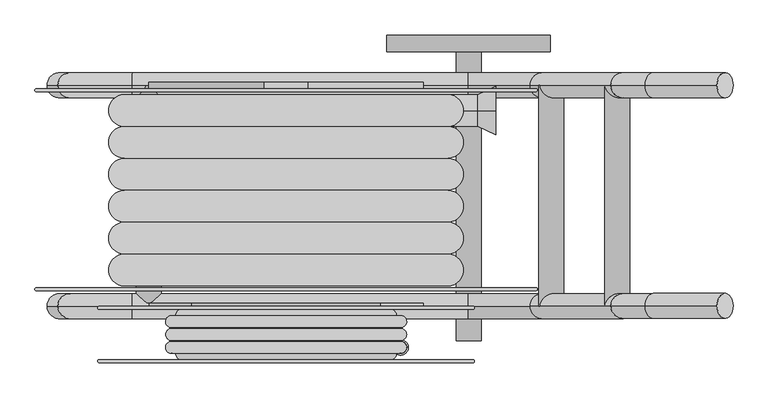
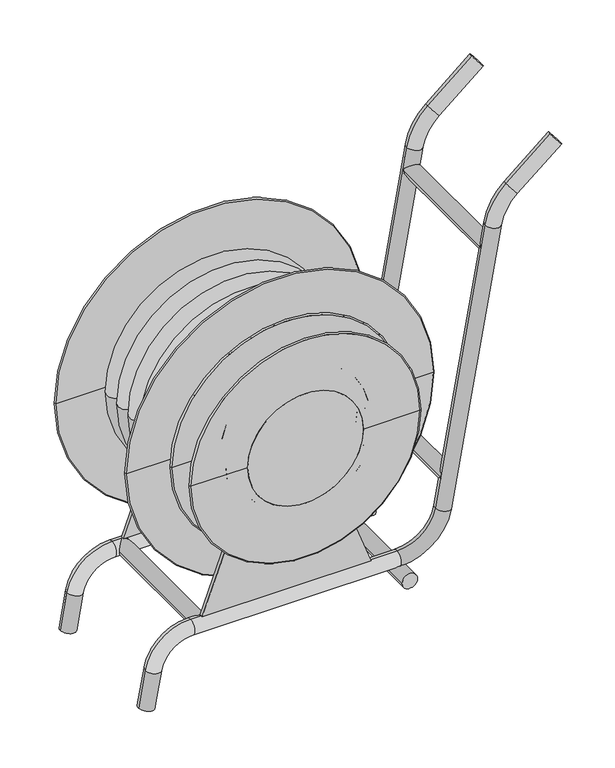
"""IFC4 building model written with IfcOpenShell, lengths in millimetres: fire suppression terminal geometry."""

from ifc_helpers import new_model, si_unit, point, frame, frame_2d, origin, place, context, project, spatial, polyline, circle_curve, ellipse_curve, trimmed, segment, composite_curve, outline, extrude, source, transform, mapped, element, save
from ifc_brep_helpers import plane_surface, cylinder_surface, revolved_surface, advanced_brep


def fire_suppression_terminal_208073d3(model_context):
    return source(origin(), model_context, "Body", "SolidModel", [
        advanced_brep(
        [(194.7354819, -205.6, 436.3970652), (170.1354819, -205.6, 436.3970652), (170.1354819, -205.6, 381.3970652), (194.7354819, -205.6, 381.3970652), (182.4354819, -205.6, 381.3970652), (182.4354819, -205.6, 436.3970652)],
        [
            (0, 1, circle_curve(frame((182.4354819, -205.6, 436.3970652), z_axis=(0.0, 0.0, -1.0), x_axis=(-1.0, 0.0, 0.0)), 12.3)),
            (1, 2),
            (2, 3, circle_curve(frame((182.4354819, -205.6, 381.3970652), z_axis=(0.0, 0.0, 1.0), x_axis=(-1.0, 0.0, 0.0)), 12.3)),
            (3, 0),
            (1, 0, circle_curve(frame((182.4354819, -205.6, 436.3970652), z_axis=(0.0, 0.0, -1.0), x_axis=(-1.0, 0.0, 0.0)), 12.3)),
            (3, 2, circle_curve(frame((182.4354819, -205.6, 381.3970652), z_axis=(0.0, 0.0, 1.0), x_axis=(-1.0, 0.0, 0.0)), 12.3)),
            (2, 4),
            (4, 3),
            (5, 1),
            (0, 5),
        ],
        [
            cylinder_surface(frame((182.4354819, -205.6, 436.3970652), z_axis=(0.0, 0.0, 1.0), x_axis=(-1.0, 0.0, 0.0)), 12.3),
            plane_surface(frame((182.4354819, -205.6, 381.3970652), z_axis=(0.0, 0.0, -1.0), x_axis=(-1.0, 0.0, 0.0))),
            plane_surface(frame((182.4354819, -205.6, 436.3970652), z_axis=(0.0, 0.0, 1.0), x_axis=(-1.0, 0.0, 0.0))),
        ],
        [
            (0, [[1, 2, 3, 4]]),
            (0, [[5, -4, 6, -2]]),
            (1, [[-3, 7, 8]]),
            (1, [[-6, -8, -7]]),
            (2, [[9, -1, 10]]),
            (2, [[-10, -5, -9]]),
        ],
    ),
        extrude(outline(composite_curve([segment(trimmed(circle_curve(frame_2d((182.4354819, -205.6)), 9.5), [point((191.9354819, -205.6))], [point((172.9354819, -205.6))], False, "CARTESIAN"), True, "CONTINUOUS"), segment(trimmed(circle_curve(frame_2d((182.4354819, -205.6)), 9.5), [point((172.9354819, -205.6))], [point((191.9354819, -205.6))], False, "CARTESIAN"), True, "CONTINUOUS")], self_intersect=False)), frame((0.0, 0.0, 436.3970652), z_axis=(0.0, 0.0, 1.0), x_axis=(1.0, 0.0, 0.0)), (0.0, 0.0, 1.0), 200.0),
        advanced_brep(
        [(166.244333, -145.05, 636.3970652), (-166.244333, -145.05, 636.3970652), (-166.244333, -225.0, 636.3970652), (166.244333, -225.0, 636.3970652), (173.9955864, -160.0425467, 636.3970652), (-173.9955864, -160.0425467, 636.3970652), (182.4243529, -173.925, 636.3970652), (-182.4243529, -173.925, 636.3970652), (182.4243529, -194.525, 636.3970652), (-182.4243529, -194.525, 636.3970652), (-182.4243529, -175.525, 636.3970652), (182.4243529, -175.525, 636.3970652), (174.6730994, -211.1175467, 636.3970652), (-174.6730994, -211.1175467, 636.3970652), (-182.4243529, -196.125, 636.3970652), (182.4243529, -196.125, 636.3970652)],
        [
            (0, 1, circle_curve(frame((0.0, -145.05, 636.3970652), z_axis=(0.0, 1.0, 0.0), x_axis=(-1.0, 0.0, 0.0)), 166.244333)),
            (1, 2),
            (2, 3, circle_curve(frame((0.0, -225.0, 636.3970652), z_axis=(0.0, -1.0, 0.0), x_axis=(-1.0, 0.0, 0.0)), 166.244333)),
            (3, 0),
            (1, 0, circle_curve(frame((0.0, -145.05, 636.3970652), z_axis=(0.0, 1.0, 0.0), x_axis=(-1.0, 0.0, 0.0)), 166.244333)),
            (3, 2, circle_curve(frame((0.0, -225.0, 636.3970652), z_axis=(0.0, -1.0, 0.0), x_axis=(-1.0, 0.0, 0.0)), 166.244333)),
            (4, 5, circle_curve(frame((0.0, -160.0425467, 636.3970652), z_axis=(0.0, 1.0, 0.0), x_axis=(-1.0, 0.0, 0.0)), 173.9955864)),
            (5, 1, circle_curve(frame((-166.244333, -154.55, 636.3970652), z_axis=(0.0, 0.0, -1.0), x_axis=(-1.0, 0.0, 0.0)), 9.5)),
            (0, 4, circle_curve(frame((166.244333, -154.55, 636.3970652), z_axis=(0.0, 0.0, -1.0), x_axis=(1.0, 0.0, 0.0)), 9.5)),
            (5, 4, circle_curve(frame((0.0, -160.0425467, 636.3970652), z_axis=(0.0, 1.0, 0.0), x_axis=(-1.0, 0.0, 0.0)), 173.9955864)),
            (6, 7, circle_curve(frame((0.0, -173.925, 636.3970652), z_axis=(0.0, 1.0, 0.0), x_axis=(-1.0, 0.0, 0.0)), 182.4243529)),
            (7, 5, circle_curve(frame((-182.4243529, -164.425, 636.3970652), z_axis=(0.0, 0.0, -1.0), x_axis=(-1.0, 0.0, 0.0)), 9.5)),
            (4, 6, circle_curve(frame((182.4243529, -164.425, 636.3970652), z_axis=(0.0, 0.0, -1.0), x_axis=(1.0, 0.0, 0.0)), 9.5)),
            (7, 6, circle_curve(frame((0.0, -173.925, 636.3970652), z_axis=(0.0, 1.0, 0.0), x_axis=(-1.0, 0.0, 0.0)), 182.4243529)),
            (8, 9, circle_curve(frame((0.0, -194.525, 636.3970652), z_axis=(0.0, 1.0, 0.0), x_axis=(-1.0, 0.0, 0.0)), 182.4243529)),
            (9, 10, circle_curve(frame((-182.4243529, -185.025, 636.3970652), z_axis=(0.0, 0.0, -1.0), x_axis=(-1.0, 0.0, 0.0)), 9.5)),
            (10, 11, circle_curve(frame((0.0, -175.525, 636.3970652), z_axis=(0.0, -1.0, 0.0), x_axis=(-1.0, 0.0, 0.0)), 182.4243529)),
            (11, 8, circle_curve(frame((182.4243529, -185.025, 636.3970652), z_axis=(0.0, 0.0, -1.0), x_axis=(1.0, 0.0, 0.0)), 9.5)),
            (9, 8, circle_curve(frame((0.0, -194.525, 636.3970652), z_axis=(0.0, 1.0, 0.0), x_axis=(-1.0, 0.0, 0.0)), 182.4243529)),
            (11, 10, circle_curve(frame((0.0, -175.525, 636.3970652), z_axis=(0.0, -1.0, 0.0), x_axis=(-1.0, 0.0, 0.0)), 182.4243529)),
            (12, 13, circle_curve(frame((0.0, -211.1175467, 636.3970652), z_axis=(0.0, 1.0, 0.0), x_axis=(-1.0, 0.0, 0.0)), 174.6730994)),
            (13, 14, circle_curve(frame((-182.4243529, -205.625, 636.3970652), z_axis=(0.0, 0.0, -1.0), x_axis=(-1.0, 0.0, 0.0)), 9.5)),
            (14, 15, circle_curve(frame((0.0, -196.125, 636.3970652), z_axis=(0.0, -1.0, 0.0), x_axis=(-1.0, 0.0, 0.0)), 182.4243529)),
            (15, 12, circle_curve(frame((182.4243529, -205.625, 636.3970652), z_axis=(0.0, 0.0, -1.0), x_axis=(1.0, 0.0, 0.0)), 9.5)),
            (13, 12, circle_curve(frame((0.0, -211.1175467, 636.3970652), z_axis=(0.0, 1.0, 0.0), x_axis=(-1.0, 0.0, 0.0)), 174.6730994)),
            (15, 14, circle_curve(frame((0.0, -196.125, 636.3970652), z_axis=(0.0, -1.0, 0.0), x_axis=(-1.0, 0.0, 0.0)), 182.4243529)),
            (2, 13, circle_curve(frame((-166.244333, -215.5, 636.3970652), z_axis=(0.0, 0.0, -1.0), x_axis=(-1.0, 0.0, 0.0)), 9.5)),
            (12, 3, circle_curve(frame((166.244333, -215.5, 636.3970652), z_axis=(0.0, 0.0, -1.0), x_axis=(1.0, 0.0, 0.0)), 9.5)),
            (10, 7),
            (6, 11),
            (14, 9),
            (8, 15),
        ],
        [
            revolved_surface(polyline([(-166.244333, -225.0, 636.3970652), (-166.244333, -145.05, 636.3970652)]), (0.0, -130.0, 636.3970652), (0.0, -1.0, 0.0)),
            revolved_surface(trimmed(ellipse_curve(frame((-166.244333, -154.55, 636.3970652), z_axis=(0.0, 0.0, 1.0), x_axis=(-1.0, 0.0, 0.0)), 9.5, 9.5), [point((-166.244333, -145.05, 636.3970652))], [point((-173.9955864, -160.0425467, 636.3970652))], True, "CARTESIAN"), (0.0, -130.0, 636.3970652), (0.0, -1.0, 0.0)),
            revolved_surface(trimmed(ellipse_curve(frame((-182.4243529, -164.425, 636.3970652), z_axis=(0.0, 0.0, 1.0), x_axis=(-1.0, 0.0, 0.0)), 9.5, 9.5), [point((-173.9955864, -160.0425467, 636.3970652))], [point((-182.4243529, -173.925, 636.3970652))], True, "CARTESIAN"), (0.0, -130.0, 636.3970652), (0.0, -1.0, 0.0)),
            revolved_surface(trimmed(ellipse_curve(frame((-182.4243529, -185.025, 636.3970652), z_axis=(0.0, 0.0, 1.0), x_axis=(-1.0, 0.0, 0.0)), 9.5, 9.5), [point((-182.4243529, -175.525, 636.3970652))], [point((-182.4243529, -194.525, 636.3970652))], True, "CARTESIAN"), (0.0, -130.0, 636.3970652), (0.0, -1.0, 0.0)),
            revolved_surface(trimmed(ellipse_curve(frame((-182.4243529, -205.625, 636.3970652), z_axis=(0.0, 0.0, 1.0), x_axis=(-1.0, 0.0, 0.0)), 9.5, 9.5), [point((-182.4243529, -196.125, 636.3970652))], [point((-174.6730994, -211.1175467, 636.3970652))], True, "CARTESIAN"), (0.0, -130.0, 636.3970652), (0.0, -1.0, 0.0)),
            revolved_surface(trimmed(ellipse_curve(frame((-166.244333, -215.5, 636.3970652), z_axis=(0.0, 0.0, 1.0), x_axis=(-1.0, 0.0, 0.0)), 9.5, 9.5), [point((-174.6730994, -211.1175467, 636.3970652))], [point((-166.244333, -225.0, 636.3970652))], True, "CARTESIAN"), (0.0, -130.0, 636.3970652), (0.0, -1.0, 0.0)),
            cylinder_surface(frame((0.0, -130.0, 636.3970652), z_axis=(0.0, -1.0, 0.0), x_axis=(-1.0, 0.0, 0.0)), 182.4243529),
        ],
        [
            (0, [[1, 2, 3, 4]]),
            (0, [[5, -4, 6, -2]]),
            (1, [[7, 8, -1, 9]]),
            (1, [[10, -9, -5, -8]]),
            (2, [[11, 12, -7, 13]]),
            (2, [[14, -13, -10, -12]]),
            (3, [[15, 16, 17, 18]]),
            (3, [[19, -18, 20, -16]]),
            (4, [[21, 22, 23, 24]]),
            (4, [[25, -24, 26, -22]]),
            (5, [[-3, 27, -21, 28]]),
            (5, [[-6, -28, -25, -27]]),
            (6, [[-17, 29, -11, 30]]),
            (6, [[-20, -30, -14, -29]]),
            (6, [[-23, 31, -15, 32]]),
            (6, [[-26, -32, -19, -31]]),
        ],
    ),
        advanced_brep(
        [(333.9224788, 171.7347399, 418.065662), (333.9224788, 171.7347399, 340.1671125), (304.8659653, 171.7347399, 353.7163872), (304.8659653, 171.7347399, 404.5163872), (333.9224788, 171.7347399, 379.1163872), (0.0, 171.7347399, 404.5163872), (0.0, 171.7347399, 353.7163872), (0.0, 171.7347399, 379.1163872)],
        [
            (0, 1, circle_curve(frame((333.9224788, 171.7347399, 379.1163872), z_axis=(-1.0, 0.0, 0.0), x_axis=(0.0, 0.0, -1.0)), 38.9492747)),
            (1, 2),
            (2, 3, circle_curve(frame((304.8659653, 171.7347399, 379.1163872), z_axis=(1.0, 0.0, 0.0), x_axis=(0.0, 0.0, -1.0)), 25.4)),
            (3, 0),
            (1, 0, circle_curve(frame((333.9224788, 171.7347399, 379.1163872), z_axis=(-1.0, 0.0, 0.0), x_axis=(0.0, 0.0, -1.0)), 38.9492747)),
            (3, 2, circle_curve(frame((304.8659653, 171.7347399, 379.1163872), z_axis=(1.0, 0.0, 0.0), x_axis=(0.0, 0.0, -1.0)), 25.4)),
            (4, 1),
            (0, 4),
            (5, 6, circle_curve(frame((0.0, 171.7347399, 379.1163872), z_axis=(-1.0, 0.0, 0.0), x_axis=(0.0, 0.0, -1.0)), 25.4)),
            (6, 7),
            (7, 5),
            (6, 5, circle_curve(frame((0.0, 171.7347399, 379.1163872), z_axis=(-1.0, 0.0, 0.0), x_axis=(0.0, 0.0, -1.0)), 25.4)),
            (2, 6),
            (5, 3),
        ],
        [
            revolved_surface(polyline([(304.8659653, 171.7347399, 353.7163872), (333.9224788, 171.7347399, 340.1671125)]), (348.9224788, 171.7347399, 379.1163872), (1.0, 0.0, 0.0)),
            plane_surface(frame((333.9224788, 171.7347399, 379.1163872), z_axis=(1.0, 0.0, 0.0), x_axis=(0.0, 0.0, -1.0))),
            plane_surface(frame((0.0, 171.7347399, 379.1163872), z_axis=(-1.0, 0.0, 0.0), x_axis=(0.0, 0.0, -1.0))),
            cylinder_surface(frame((348.9224788, 171.7347399, 379.1163872), z_axis=(1.0, 0.0, 0.0), x_axis=(0.0, 0.0, -1.0)), 25.4),
        ],
        [
            (0, [[1, 2, 3, 4]]),
            (0, [[5, -4, 6, -2]]),
            (1, [[7, -1, 8]]),
            (1, [[-8, -5, -7]]),
            (2, [[9, 10, 11]]),
            (2, [[12, -11, -10]]),
            (3, [[-3, 13, -9, 14]]),
            (3, [[-6, -14, -12, -13]]),
        ],
    ),
        advanced_brep(
        [(222.0306991, 197.1347399, 636.3970652), (-222.0306991, 197.1347399, 636.3970652), (-222.0306991, -107.6652601, 636.3970652), (222.0306991, -107.6652601, 636.3970652), (257.2700489, -107.6652601, 636.3970652), (-257.2700489, -107.6652601, 636.3970652), (-257.2700489, -56.8652601, 636.3970652), (257.2700489, -56.8652601, 636.3970652), (257.2700489, 197.1347399, 636.3970652), (-257.2700489, 197.1347399, 636.3970652), (257.2700489, 146.3347399, 636.3970652), (-257.2700489, 146.3347399, 636.3970652), (257.2700489, 95.5347399, 636.3970652), (-257.2700489, 95.5347399, 636.3970652), (257.2700489, 44.7347399, 636.3970652), (-257.2700489, 44.7347399, 636.3970652), (257.2700489, -6.0652601, 636.3970652), (-257.2700489, -6.0652601, 636.3970652)],
        [
            (0, 1, circle_curve(frame((0.0, 197.1347399, 636.3970652), z_axis=(0.0, 1.0, 0.0), x_axis=(-1.0, 0.0, 0.0)), 222.0306991)),
            (1, 2),
            (2, 3, circle_curve(frame((0.0, -107.6652601, 636.3970652), z_axis=(0.0, -1.0, 0.0), x_axis=(-1.0, 0.0, 0.0)), 222.0306991)),
            (3, 0),
            (1, 0, circle_curve(frame((0.0, 197.1347399, 636.3970652), z_axis=(0.0, 1.0, 0.0), x_axis=(-1.0, 0.0, 0.0)), 222.0306991)),
            (3, 2, circle_curve(frame((0.0, -107.6652601, 636.3970652), z_axis=(0.0, -1.0, 0.0), x_axis=(-1.0, 0.0, 0.0)), 222.0306991)),
            (4, 5, circle_curve(frame((0.0, -107.6652601, 636.3970652), z_axis=(0.0, 1.0, 0.0), x_axis=(-1.0, 0.0, 0.0)), 257.2700489)),
            (5, 6, circle_curve(frame((-257.2700489, -82.2652601, 636.3970652), z_axis=(0.0, 0.0, -1.0), x_axis=(-1.0, 0.0, 0.0)), 25.4)),
            (6, 7, circle_curve(frame((0.0, -56.8652601, 636.3970652), z_axis=(0.0, -1.0, 0.0), x_axis=(-1.0, 0.0, 0.0)), 257.2700489)),
            (7, 4, circle_curve(frame((257.2700489, -82.2652601, 636.3970652), z_axis=(0.0, 0.0, -1.0), x_axis=(1.0, 0.0, 0.0)), 25.4)),
            (5, 4, circle_curve(frame((0.0, -107.6652601, 636.3970652), z_axis=(0.0, 1.0, 0.0), x_axis=(-1.0, 0.0, 0.0)), 257.2700489)),
            (7, 6, circle_curve(frame((0.0, -56.8652601, 636.3970652), z_axis=(0.0, -1.0, 0.0), x_axis=(-1.0, 0.0, 0.0)), 257.2700489)),
            (2, 5),
            (4, 3),
            (8, 9, circle_curve(frame((0.0, 197.1347399, 636.3970652), z_axis=(0.0, 1.0, 0.0), x_axis=(-1.0, 0.0, 0.0)), 257.2700489)),
            (9, 1),
            (0, 8),
            (9, 8, circle_curve(frame((0.0, 197.1347399, 636.3970652), z_axis=(0.0, 1.0, 0.0), x_axis=(-1.0, 0.0, 0.0)), 257.2700489)),
            (10, 11, circle_curve(frame((0.0, 146.3347399, 636.3970652), z_axis=(0.0, 1.0, 0.0), x_axis=(-1.0, 0.0, 0.0)), 257.2700489)),
            (11, 9, circle_curve(frame((-257.2700489, 171.7347399, 636.3970652), z_axis=(0.0, 0.0, -1.0), x_axis=(-1.0, 0.0, 0.0)), 25.4)),
            (8, 10, circle_curve(frame((257.2700489, 171.7347399, 636.3970652), z_axis=(0.0, 0.0, -1.0), x_axis=(1.0, 0.0, 0.0)), 25.4)),
            (11, 10, circle_curve(frame((0.0, 146.3347399, 636.3970652), z_axis=(0.0, 1.0, 0.0), x_axis=(-1.0, 0.0, 0.0)), 257.2700489)),
            (12, 13, circle_curve(frame((0.0, 95.5347399, 636.3970652), z_axis=(0.0, 1.0, 0.0), x_axis=(-1.0, 0.0, 0.0)), 257.2700489)),
            (13, 11, circle_curve(frame((-257.2700489, 120.9347399, 636.3970652), z_axis=(0.0, 0.0, -1.0), x_axis=(-1.0, 0.0, 0.0)), 25.4)),
            (10, 12, circle_curve(frame((257.2700489, 120.9347399, 636.3970652), z_axis=(0.0, 0.0, -1.0), x_axis=(1.0, 0.0, 0.0)), 25.4)),
            (13, 12, circle_curve(frame((0.0, 95.5347399, 636.3970652), z_axis=(0.0, 1.0, 0.0), x_axis=(-1.0, 0.0, 0.0)), 257.2700489)),
            (14, 15, circle_curve(frame((0.0, 44.7347399, 636.3970652), z_axis=(0.0, 1.0, 0.0), x_axis=(-1.0, 0.0, 0.0)), 257.2700489)),
            (15, 13, circle_curve(frame((-257.2700489, 70.1347399, 636.3970652), z_axis=(0.0, 0.0, -1.0), x_axis=(-1.0, 0.0, 0.0)), 25.4)),
            (12, 14, circle_curve(frame((257.2700489, 70.1347399, 636.3970652), z_axis=(0.0, 0.0, -1.0), x_axis=(1.0, 0.0, 0.0)), 25.4)),
            (15, 14, circle_curve(frame((0.0, 44.7347399, 636.3970652), z_axis=(0.0, 1.0, 0.0), x_axis=(-1.0, 0.0, 0.0)), 257.2700489)),
            (16, 17, circle_curve(frame((0.0, -6.0652601, 636.3970652), z_axis=(0.0, 1.0, 0.0), x_axis=(-1.0, 0.0, 0.0)), 257.2700489)),
            (17, 15, circle_curve(frame((-257.2700489, 19.3347399, 636.3970652), z_axis=(0.0, 0.0, -1.0), x_axis=(-1.0, 0.0, 0.0)), 25.4)),
            (14, 16, circle_curve(frame((257.2700489, 19.3347399, 636.3970652), z_axis=(0.0, 0.0, -1.0), x_axis=(1.0, 0.0, 0.0)), 25.4)),
            (17, 16, circle_curve(frame((0.0, -6.0652601, 636.3970652), z_axis=(0.0, 1.0, 0.0), x_axis=(-1.0, 0.0, 0.0)), 257.2700489)),
            (6, 17, circle_curve(frame((-257.2700489, -31.4652601, 636.3970652), z_axis=(0.0, 0.0, -1.0), x_axis=(-1.0, 0.0, 0.0)), 25.4)),
            (16, 7, circle_curve(frame((257.2700489, -31.4652601, 636.3970652), z_axis=(0.0, 0.0, -1.0), x_axis=(1.0, 0.0, 0.0)), 25.4)),
        ],
        [
            revolved_surface(polyline([(-222.0306991, -107.66526010000001, 636.3970652), (-222.0306991, 197.1347399, 636.3970652)]), (0.0, 200.0, 636.3970652), (0.0, -1.0, 0.0)),
            revolved_surface(trimmed(ellipse_curve(frame((-257.2700489, -82.2652601, 636.3970652), z_axis=(0.0, 0.0, 1.0), x_axis=(-1.0, 0.0, 0.0)), 25.4, 25.4), [point((-257.2700489, -56.8652601, 636.3970652))], [point((-257.2700489, -107.6652601, 636.3970652))], True, "CARTESIAN"), (0.0, 200.0, 636.3970652), (0.0, -1.0, 0.0)),
            plane_surface(frame((0.0, -107.6652601, 636.3970652), z_axis=(0.0, -1.0, 0.0), x_axis=(-1.0, 0.0, 0.0))),
            plane_surface(frame((0.0, 197.1347399, 636.3970652), z_axis=(0.0, 1.0, 0.0), x_axis=(-1.0, 0.0, 0.0))),
            revolved_surface(trimmed(ellipse_curve(frame((-257.2700489, 171.7347399, 636.3970652), z_axis=(0.0, 0.0, 1.0), x_axis=(-1.0, 0.0, 0.0)), 25.4, 25.4), [point((-257.2700489, 197.1347399, 636.3970652))], [point((-257.2700489, 146.3347399, 636.3970652))], True, "CARTESIAN"), (0.0, 200.0, 636.3970652), (0.0, -1.0, 0.0)),
            revolved_surface(trimmed(ellipse_curve(frame((-257.2700489, 120.9347399, 636.3970652), z_axis=(0.0, 0.0, 1.0), x_axis=(-1.0, 0.0, 0.0)), 25.4, 25.4), [point((-257.2700489, 146.3347399, 636.3970652))], [point((-257.2700489, 95.5347399, 636.3970652))], True, "CARTESIAN"), (0.0, 200.0, 636.3970652), (0.0, -1.0, 0.0)),
            revolved_surface(trimmed(ellipse_curve(frame((-257.2700489, 70.1347399, 636.3970652), z_axis=(0.0, 0.0, 1.0), x_axis=(-1.0, 0.0, 0.0)), 25.4, 25.4), [point((-257.2700489, 95.5347399, 636.3970652))], [point((-257.2700489, 44.7347399, 636.3970652))], True, "CARTESIAN"), (0.0, 200.0, 636.3970652), (0.0, -1.0, 0.0)),
            revolved_surface(trimmed(ellipse_curve(frame((-257.2700489, 19.3347399, 636.3970652), z_axis=(0.0, 0.0, 1.0), x_axis=(-1.0, 0.0, 0.0)), 25.4, 25.4), [point((-257.2700489, 44.7347399, 636.3970652))], [point((-257.2700489, -6.0652601, 636.3970652))], True, "CARTESIAN"), (0.0, 200.0, 636.3970652), (0.0, -1.0, 0.0)),
            revolved_surface(trimmed(ellipse_curve(frame((-257.2700489, -31.4652601, 636.3970652), z_axis=(0.0, 0.0, 1.0), x_axis=(-1.0, 0.0, 0.0)), 25.4, 25.4), [point((-257.2700489, -6.0652601, 636.3970652))], [point((-257.2700489, -56.8652601, 636.3970652))], True, "CARTESIAN"), (0.0, 200.0, 636.3970652), (0.0, -1.0, 0.0)),
        ],
        [
            (0, [[1, 2, 3, 4]]),
            (0, [[5, -4, 6, -2]]),
            (1, [[7, 8, 9, 10]]),
            (1, [[11, -10, 12, -8]]),
            (2, [[-3, 13, -7, 14]]),
            (2, [[-6, -14, -11, -13]]),
            (3, [[15, 16, -1, 17]]),
            (3, [[18, -17, -5, -16]]),
            (4, [[19, 20, -15, 21]]),
            (4, [[22, -21, -18, -20]]),
            (5, [[23, 24, -19, 25]]),
            (5, [[26, -25, -22, -24]]),
            (6, [[27, 28, -23, 29]]),
            (6, [[30, -29, -26, -28]]),
            (7, [[31, 32, -27, 33]]),
            (7, [[34, -33, -30, -32]]),
            (8, [[-9, 35, -31, 36]]),
            (8, [[-12, -36, -34, -35]]),
        ],
    ),
        extrude(outline(composite_curve([segment(trimmed(circle_curve(frame_2d((636.3970652, 0.0)), 150.0), [point((636.3970652, 150.0))], [point((636.3970652, -150.0))], False, "CARTESIAN"), True, "CONTINUOUS"), segment(trimmed(circle_curve(frame_2d((636.3970652, 0.0)), 150.0), [point((636.3970652, -150.0))], [point((636.3970652, 150.0))], False, "CARTESIAN"), True, "CONTINUOUS")], self_intersect=False)), frame((0.0, -230.0, 0.0), z_axis=(0.0, 1.0, 0.0), x_axis=(0.0, 0.0, 1.0)), (0.0, 0.0, 1.0), 95.0),
        extrude(outline(composite_curve([segment(trimmed(circle_curve(frame_2d((952.1638672, 527.3815961)), 20.0), [point((952.1638672, 547.3815961))], [point((952.1638672, 507.3815961))], False, "CARTESIAN"), True, "CONTINUOUS"), segment(trimmed(circle_curve(frame_2d((952.1638672, 527.3815961)), 20.0), [point((952.1638672, 507.3815961))], [point((952.1638672, 547.3815961))], False, "CARTESIAN"), True, "CONTINUOUS")], self_intersect=False)), frame((0.0, -140.0, 0.0), z_axis=(0.0, 1.0, 0.0), x_axis=(0.0, 0.0, 1.0)), (0.0, 0.0, 1.0), 351.6),
        extrude(outline(composite_curve([segment(trimmed(circle_curve(frame_2d((361.6090168, 422.2378881)), 20.0), [point((361.6090168, 442.2378881))], [point((361.6090168, 402.2378881))], False, "CARTESIAN"), True, "CONTINUOUS"), segment(trimmed(circle_curve(frame_2d((361.6090168, 422.2378881)), 20.0), [point((361.6090168, 402.2378881))], [point((361.6090168, 442.2378881))], False, "CARTESIAN"), True, "CONTINUOUS")], self_intersect=False)), frame((0.0, -140.0, 0.0), z_axis=(0.0, 1.0, 0.0), x_axis=(0.0, 0.0, 1.0)), (0.0, 0.0, 1.0), 351.6),
        advanced_brep(
        [(711.9092951, -139.6945931, 1172.2366331), (686.1977907, -139.6945931, 1202.8784108), (597.7348391, -139.6945931, 1076.4328891), (572.0233347, -139.6945931, 1107.0746668), (517.3001117, -139.6945931, 1012.2912644), (556.6924219, -139.6945931, 1005.3453372), (428.0343679, -139.6945931, 275.6892551), (388.6420578, -139.6945931, 282.6351822), (290.1612825, -139.6945931, 200.0), (290.1612825, -139.6945931, 160.0), (-245.2367986, -139.6945931, 160.0), (-245.2367986, -139.6945931, 200.0), (-363.413729, -139.6945931, 100.8377813), (-324.0214189, -139.6945931, 93.8918542), (-341.1894632, -139.6945931, -3.4729636), (-380.5817733, -139.6945931, 3.4729636)],
        [
            (0, 1, circle_curve(frame((699.0535429, -139.6945931, 1187.5575219), z_axis=(0.7660444431189768, 0.0, 0.642787609686541), x_axis=(-0.6427876096865409, 0.0, 0.7660444431189766)), 20.0)),
            (1, 0, circle_curve(frame((699.0535429, -139.6945931, 1187.5575219), z_axis=(0.7660444431189768, 0.0, 0.642787609686541), x_axis=(-0.6427876096865409, 0.0, 0.7660444431189766)), 20.0)),
            (0, 2),
            (2, 3, circle_curve(frame((584.8790869, -139.6945931, 1091.753778), z_axis=(0.7660444431189768, 0.0, 0.642787609686541), x_axis=(-0.6427876096865409, 0.0, 0.7660444431189766)), 20.0)),
            (3, 1),
            (3, 2, circle_curve(frame((584.8790869, -139.6945931, 1091.753778), z_axis=(0.7660444431189768, 0.0, 0.642787609686541), x_axis=(-0.6427876096865409, 0.0, 0.7660444431189766)), 20.0)),
            (4, 3, circle_curve(frame((674.8693522, -139.6945931, 984.5075559), z_axis=(0.0, 1.0, 0.0), x_axis=(-0.6427876096865407, 0.0, 0.7660444431189769)), 160.0)),
            (2, 5, circle_curve(frame((674.8693522, -139.6945931, 984.5075559), z_axis=(0.0, -1.0, 0.0), x_axis=(-0.6427876096865407, 0.0, 0.7660444431189769)), 120.0)),
            (5, 4, circle_curve(frame((536.9962668, -139.6945931, 1008.8183008), z_axis=(0.17364817766692403, 0.0, 0.9848077530122092), x_axis=(-0.9848077530122092, 0.0, 0.17364817766692403)), 20.0)),
            (4, 5, circle_curve(frame((536.9962668, -139.6945931, 1008.8183008), z_axis=(0.17364817766692547, 0.0, 0.9848077530122089), x_axis=(-0.9848077530122089, 0.0, 0.17364817766692547)), 20.0)),
            (5, 6),
            (6, 7, circle_curve(frame((408.3382129, -139.6945931, 279.1622187), z_axis=(0.17364817766692892, 0.0, 0.9848077530122084), x_axis=(-0.9848077530122084, 0.0, 0.17364817766692892)), 20.0)),
            (7, 4),
            (7, 6, circle_curve(frame((408.3382129, -139.6945931, 279.1622187), z_axis=(0.17364817766692892, 0.0, 0.9848077530122084), x_axis=(-0.9848077530122084, 0.0, 0.17364817766692892)), 20.0)),
            (8, 7, circle_curve(frame((290.1612825, -139.6945931, 300.0), z_axis=(0.0, -1.0, 0.0), x_axis=(0.9848077530122084, 0.0, -0.1736481776669284)), 100.0)),
            (6, 9, circle_curve(frame((290.1612825, -139.6945931, 300.0), z_axis=(0.0, 1.0, 0.0), x_axis=(0.9848077530122084, 0.0, -0.1736481776669284)), 140.0)),
            (9, 8, circle_curve(frame((290.1612825, -139.6945931, 180.0), z_axis=(0.9999999999999999, 0.0, 0.0), x_axis=(0.0, 0.0, 0.9999999999999999)), 20.0)),
            (8, 9, circle_curve(frame((290.1612825, -139.6945931, 180.0), z_axis=(1.0, 0.0, 0.0), x_axis=(0.0, 0.0, 1.0)), 20.0)),
            (9, 10),
            (10, 11, circle_curve(frame((-245.2367986, -139.6945931, 180.0), z_axis=(1.0, 0.0, 0.0), x_axis=(0.0, 0.0, 1.0)), 20.0)),
            (11, 8),
            (11, 10, circle_curve(frame((-245.2367986, -139.6945931, 180.0), z_axis=(1.0, 0.0, 0.0), x_axis=(0.0, 0.0, 1.0)), 20.0)),
            (12, 11, circle_curve(frame((-245.2367986, -139.6945931, 80.0), z_axis=(0.0, 1.0, 0.0), x_axis=(0.0, 0.0, 1.0)), 120.0)),
            (10, 13, circle_curve(frame((-245.2367986, -139.6945931, 80.0), z_axis=(0.0, -1.0, 0.0), x_axis=(0.0, 0.0, 1.0)), 80.0)),
            (13, 12, circle_curve(frame((-343.7175739, -139.6945931, 97.3648178), z_axis=(0.17364817766692017, 0.0, 0.9848077530122099), x_axis=(-0.9848077530122099, 0.0, 0.17364817766692017)), 20.0)),
            (12, 13, circle_curve(frame((-343.7175739, -139.6945931, 97.3648178), z_axis=(0.17364817766692367, 0.0, 0.9848077530122092), x_axis=(-0.9848077530122092, 0.0, 0.17364817766692367)), 20.0)),
            (14, 15, circle_curve(frame((-360.8856183, -139.6945931, 0.0), z_axis=(-0.1736481776669288, 0.0, -0.9848077530122084), x_axis=(-0.9848077530122084, 0.0, 0.1736481776669288)), 20.0)),
            (15, 14, circle_curve(frame((-360.8856183, -139.6945931, 0.0), z_axis=(-0.1736481776669288, 0.0, -0.9848077530122084), x_axis=(-0.9848077530122084, 0.0, 0.1736481776669288)), 20.0)),
            (13, 14),
            (15, 12),
        ],
        [
            plane_surface(frame((699.0535429, -139.6945931, 1187.5575219), z_axis=(0.7660444431189767, 0.0, 0.642787609686541), x_axis=(0.0, 1.0, 0.0))),
            cylinder_surface(frame((699.0535429, -139.6945931, 1187.5575219), z_axis=(0.7660444431189766, 0.0, 0.6427876096865409), x_axis=(-0.6427876096865409, 0.0, 0.7660444431189766)), 20.0),
            revolved_surface(trimmed(ellipse_curve(frame((584.8790869, -139.6945931, 1091.753778), z_axis=(0.7660444431189769, 0.0, 0.6427876096865407), x_axis=(-0.6427876096865407, 0.0, 0.7660444431189769)), 20.0, 20.0), [point((597.7348391, -139.6945931, 1076.4328891))], [point((572.0233347, -139.6945931, 1107.0746668))], True, "CARTESIAN"), (674.8693522, -139.6945931, 984.5075559), (0.0, -1.0, 0.0)),
            revolved_surface(trimmed(ellipse_curve(frame((584.8790869, -139.6945931, 1091.753778), z_axis=(0.7660444431189769, 0.0, 0.6427876096865407), x_axis=(-0.6427876096865407, 0.0, 0.7660444431189769)), 20.0, 20.0), [point((572.0233347, -139.6945931, 1107.0746668))], [point((597.7348391, -139.6945931, 1076.4328891))], True, "CARTESIAN"), (674.8693522, -139.6945931, 984.5075559), (0.0, -1.0, 0.0)),
            cylinder_surface(frame((536.9962668, -139.6945931, 1008.8183008), z_axis=(0.17364817766692892, 0.0, 0.9848077530122084), x_axis=(-0.9848077530122084, 0.0, 0.17364817766692892)), 20.0),
            revolved_surface(trimmed(ellipse_curve(frame((408.3382129, -139.6945931, 279.1622187), z_axis=(0.17364817766692858, 0.0, 0.9848077530122084), x_axis=(-0.9848077530122084, 0.0, 0.17364817766692858)), 20.0, 20.0), [point((428.0343679, -139.6945931, 275.6892551))], [point((388.6420578, -139.6945931, 282.6351822))], True, "CARTESIAN"), (290.1612825, -139.6945931, 300.0), (0.0, 1.0, 0.0)),
            revolved_surface(trimmed(ellipse_curve(frame((408.3382129, -139.6945931, 279.1622187), z_axis=(0.17364817766692858, 0.0, 0.9848077530122084), x_axis=(-0.9848077530122084, 0.0, 0.17364817766692858)), 20.0, 20.0), [point((388.6420578, -139.6945931, 282.6351822))], [point((428.0343679, -139.6945931, 275.6892551))], True, "CARTESIAN"), (290.1612825, -139.6945931, 300.0), (0.0, 1.0, 0.0)),
            cylinder_surface(frame((290.1612825, -139.6945931, 180.0), z_axis=(1.0, 0.0, 0.0), x_axis=(0.0, 0.0, 1.0)), 20.0),
            revolved_surface(trimmed(ellipse_curve(frame((-245.2367986, -139.6945931, 180.0), z_axis=(1.0, 0.0, 0.0), x_axis=(0.0, 0.0, 1.0)), 20.0, 20.0), [point((-245.2367986, -139.6945931, 160.0))], [point((-245.2367986, -139.6945931, 200.0))], True, "CARTESIAN"), (-245.2367986, -139.6945931, 80.0), (0.0, -1.0, 0.0)),
            revolved_surface(trimmed(ellipse_curve(frame((-245.2367986, -139.6945931, 180.0), z_axis=(1.0, 0.0, 0.0), x_axis=(0.0, 0.0, 1.0)), 20.0, 20.0), [point((-245.2367986, -139.6945931, 200.0))], [point((-245.2367986, -139.6945931, 160.0))], True, "CARTESIAN"), (-245.2367986, -139.6945931, 80.0), (0.0, -1.0, 0.0)),
            plane_surface(frame((-360.8856183, -139.6945931, 0.0), z_axis=(-0.1736481776669286, 0.0, -0.9848077530122084), x_axis=(0.0, 1.0, 0.0))),
            cylinder_surface(frame((-343.7175739, -139.6945931, 97.3648178), z_axis=(0.1736481776669288, 0.0, 0.9848077530122084), x_axis=(-0.9848077530122084, 0.0, 0.1736481776669288)), 20.0),
        ],
        [
            (0, [[1, 2]]),
            (1, [[-1, 3, 4, 5]]),
            (1, [[-2, -5, 6, -3]]),
            (2, [[7, -4, 8, 9]]),
            (3, [[-8, -6, -7, 10]]),
            (4, [[-9, 11, 12, 13]]),
            (4, [[-10, -13, 14, -11]]),
            (5, [[15, -12, 16, 17]]),
            (6, [[-16, -14, -15, 18]]),
            (7, [[-17, 19, 20, 21]]),
            (7, [[-18, -21, 22, -19]]),
            (8, [[23, -20, 24, 25]]),
            (9, [[-24, -22, -23, 26]]),
            (10, [[27, 28]]),
            (11, [[-25, 29, -28, 30]]),
            (11, [[-26, -30, -27, -29]]),
        ],
    ),
        extrude(outline(polyline([(691.2403958, -35.4948679), (200.032013, -218.7229775), (200.032013, 218.7229775), (691.2403958, 35.4948679), (691.2403958, -35.4948679)])), frame((0.0, 206.6, 0.0), z_axis=(0.0, 1.0, 0.0), x_axis=(0.0, 0.0, 1.0)), (0.0, 0.0, 1.0), 10.0),
        extrude(outline(polyline([(691.2403958, -35.4948679), (200.032013, -218.7229775), (200.032013, 218.7229775), (691.2403958, 35.4948679), (691.2403958, -35.4948679)])), frame((0.0, -145.0, 0.0), z_axis=(0.0, 1.0, 0.0), x_axis=(0.0, 0.0, 1.0)), (0.0, 0.0, 1.0), 10.0),
        extrude(outline(composite_curve([segment(trimmed(circle_curve(frame_2d((180.032013, -218.7229775)), 20.0), [point((180.032013, -198.7229775))], [point((180.032013, -238.7229775))], False, "CARTESIAN"), True, "CONTINUOUS"), segment(trimmed(circle_curve(frame_2d((180.032013, -218.7229775)), 20.0), [point((180.032013, -238.7229775))], [point((180.032013, -198.7229775))], False, "CARTESIAN"), True, "CONTINUOUS")], self_intersect=False)), frame((0.0, -140.0, 0.0), z_axis=(0.0, 1.0, 0.0), x_axis=(0.0, 0.0, 1.0)), (0.0, 0.0, 1.0), 351.6),
        advanced_brep(
        [(711.9092951, 211.9054069, 1172.2366331), (686.1977907, 211.9054069, 1202.8784108), (597.7348391, 211.9054069, 1076.4328891), (572.0233347, 211.9054069, 1107.0746668), (517.3001117, 211.9054069, 1012.2912644), (556.6924219, 211.9054069, 1005.3453372), (428.0343679, 211.9054069, 275.6892551), (388.6420578, 211.9054069, 282.6351822), (290.1612825, 211.9054069, 200.0), (290.1612825, 211.9054069, 160.0), (-245.2367986, 211.9054069, 160.0), (-245.2367986, 211.9054069, 200.0), (-363.413729, 211.9054069, 100.8377813), (-324.0214189, 211.9054069, 93.8918542), (-341.1894632, 211.9054069, -3.4729636), (-380.5817733, 211.9054069, 3.4729636)],
        [
            (0, 1, circle_curve(frame((699.0535429, 211.9054069, 1187.5575219), z_axis=(0.7660444431189768, 0.0, 0.642787609686541), x_axis=(-0.6427876096865409, 0.0, 0.7660444431189766)), 20.0)),
            (1, 0, circle_curve(frame((699.0535429, 211.9054069, 1187.5575219), z_axis=(0.7660444431189768, 0.0, 0.642787609686541), x_axis=(-0.6427876096865409, 0.0, 0.7660444431189766)), 20.0)),
            (0, 2),
            (2, 3, circle_curve(frame((584.8790869, 211.9054069, 1091.753778), z_axis=(0.7660444431189768, 0.0, 0.642787609686541), x_axis=(-0.6427876096865409, 0.0, 0.7660444431189766)), 20.0)),
            (3, 1),
            (3, 2, circle_curve(frame((584.8790869, 211.9054069, 1091.753778), z_axis=(0.7660444431189768, 0.0, 0.642787609686541), x_axis=(-0.6427876096865409, 0.0, 0.7660444431189766)), 20.0)),
            (4, 3, circle_curve(frame((674.8693522, 211.9054069, 984.5075559), z_axis=(0.0, 1.0, 0.0), x_axis=(-0.6427876096865407, 0.0, 0.7660444431189769)), 160.0)),
            (2, 5, circle_curve(frame((674.8693522, 211.9054069, 984.5075559), z_axis=(0.0, -1.0, 0.0), x_axis=(-0.6427876096865407, 0.0, 0.7660444431189769)), 120.0)),
            (5, 4, circle_curve(frame((536.9962668, 211.9054069, 1008.8183008), z_axis=(0.1736481776669216, 0.0, 0.9848077530122097), x_axis=(-0.9848077530122097, 0.0, 0.1736481776669216)), 20.0)),
            (4, 5, circle_curve(frame((536.9962668, 211.9054069, 1008.8183008), z_axis=(0.17364817766692364, 0.0, 0.9848077530122092), x_axis=(-0.9848077530122092, 0.0, 0.17364817766692364)), 20.0)),
            (5, 6),
            (6, 7, circle_curve(frame((408.3382129, 211.9054069, 279.1622187), z_axis=(0.17364817766692892, 0.0, 0.9848077530122084), x_axis=(-0.9848077530122084, 0.0, 0.17364817766692892)), 20.0)),
            (7, 4),
            (7, 6, circle_curve(frame((408.3382129, 211.9054069, 279.1622187), z_axis=(0.17364817766692892, 0.0, 0.9848077530122084), x_axis=(-0.9848077530122084, 0.0, 0.17364817766692892)), 20.0)),
            (8, 7, circle_curve(frame((290.1612825, 211.9054069, 300.0), z_axis=(0.0, -1.0, 0.0), x_axis=(0.9848077530122084, 0.0, -0.1736481776669284)), 100.0)),
            (6, 9, circle_curve(frame((290.1612825, 211.9054069, 300.0), z_axis=(0.0, 1.0, 0.0), x_axis=(0.9848077530122084, 0.0, -0.1736481776669284)), 140.0)),
            (9, 8, circle_curve(frame((290.1612825, 211.9054069, 180.0), z_axis=(0.9999999999999999, 0.0, 0.0), x_axis=(0.0, 0.0, 0.9999999999999999)), 20.0)),
            (8, 9, circle_curve(frame((290.1612825, 211.9054069, 180.0), z_axis=(1.0, 0.0, 0.0), x_axis=(0.0, 0.0, 1.0)), 20.0)),
            (9, 10),
            (10, 11, circle_curve(frame((-245.2367986, 211.9054069, 180.0), z_axis=(1.0, 0.0, 0.0), x_axis=(0.0, 0.0, 1.0)), 20.0)),
            (11, 8),
            (11, 10, circle_curve(frame((-245.2367986, 211.9054069, 180.0), z_axis=(1.0, 0.0, 0.0), x_axis=(0.0, 0.0, 1.0)), 20.0)),
            (12, 11, circle_curve(frame((-245.2367986, 211.9054069, 80.0), z_axis=(0.0, 1.0, 0.0), x_axis=(0.0, 0.0, 1.0)), 120.0)),
            (10, 13, circle_curve(frame((-245.2367986, 211.9054069, 80.0), z_axis=(0.0, -1.0, 0.0), x_axis=(0.0, 0.0, 1.0)), 80.0)),
            (13, 12, circle_curve(frame((-343.7175739, 211.9054069, 97.3648178), z_axis=(0.1736481776669204, 0.0, 0.9848077530122098), x_axis=(-0.9848077530122098, 0.0, 0.1736481776669204)), 20.0)),
            (12, 13, circle_curve(frame((-343.7175739, 211.9054069, 97.3648178), z_axis=(0.17364817766692345, 0.0, 0.9848077530122094), x_axis=(-0.9848077530122094, 0.0, 0.17364817766692345)), 20.0)),
            (14, 15, circle_curve(frame((-360.8856183, 211.9054069, 0.0), z_axis=(-0.1736481776669288, 0.0, -0.9848077530122084), x_axis=(-0.9848077530122084, 0.0, 0.1736481776669288)), 20.0)),
            (15, 14, circle_curve(frame((-360.8856183, 211.9054069, 0.0), z_axis=(-0.1736481776669288, 0.0, -0.9848077530122084), x_axis=(-0.9848077530122084, 0.0, 0.1736481776669288)), 20.0)),
            (13, 14),
            (15, 12),
        ],
        [
            plane_surface(frame((699.0535429, 211.9054069, 1187.5575219), z_axis=(0.7660444431189767, 0.0, 0.642787609686541), x_axis=(0.0, 1.0, 0.0))),
            cylinder_surface(frame((699.0535429, 211.9054069, 1187.5575219), z_axis=(0.7660444431189766, 0.0, 0.6427876096865409), x_axis=(-0.6427876096865409, 0.0, 0.7660444431189766)), 20.0),
            revolved_surface(trimmed(ellipse_curve(frame((584.8790869, 211.9054069, 1091.753778), z_axis=(0.7660444431189769, 0.0, 0.6427876096865407), x_axis=(-0.6427876096865407, 0.0, 0.7660444431189769)), 20.0, 20.0), [point((597.7348391, 211.9054069, 1076.4328891))], [point((572.0233347, 211.9054069, 1107.0746668))], True, "CARTESIAN"), (674.8693522, 211.9054069, 984.5075559), (0.0, -1.0, 0.0)),
            revolved_surface(trimmed(ellipse_curve(frame((584.8790869, 211.9054069, 1091.753778), z_axis=(0.7660444431189769, 0.0, 0.6427876096865407), x_axis=(-0.6427876096865407, 0.0, 0.7660444431189769)), 20.0, 20.0), [point((572.0233347, 211.9054069, 1107.0746668))], [point((597.7348391, 211.9054069, 1076.4328891))], True, "CARTESIAN"), (674.8693522, 211.9054069, 984.5075559), (0.0, -1.0, 0.0)),
            cylinder_surface(frame((536.9962668, 211.9054069, 1008.8183008), z_axis=(0.17364817766692892, 0.0, 0.9848077530122084), x_axis=(-0.9848077530122084, 0.0, 0.17364817766692892)), 20.0),
            revolved_surface(trimmed(ellipse_curve(frame((408.3382129, 211.9054069, 279.1622187), z_axis=(0.17364817766692858, 0.0, 0.9848077530122084), x_axis=(-0.9848077530122084, 0.0, 0.17364817766692858)), 20.0, 20.0), [point((428.0343679, 211.9054069, 275.6892551))], [point((388.6420578, 211.9054069, 282.6351822))], True, "CARTESIAN"), (290.1612825, 211.9054069, 300.0), (0.0, 1.0, 0.0)),
            revolved_surface(trimmed(ellipse_curve(frame((408.3382129, 211.9054069, 279.1622187), z_axis=(0.17364817766692858, 0.0, 0.9848077530122084), x_axis=(-0.9848077530122084, 0.0, 0.17364817766692858)), 20.0, 20.0), [point((388.6420578, 211.9054069, 282.6351822))], [point((428.0343679, 211.9054069, 275.6892551))], True, "CARTESIAN"), (290.1612825, 211.9054069, 300.0), (0.0, 1.0, 0.0)),
            cylinder_surface(frame((290.1612825, 211.9054069, 180.0), z_axis=(1.0, 0.0, 0.0), x_axis=(0.0, 0.0, 1.0)), 20.0),
            revolved_surface(trimmed(ellipse_curve(frame((-245.2367986, 211.9054069, 180.0), z_axis=(1.0, 0.0, 0.0), x_axis=(0.0, 0.0, 1.0)), 20.0, 20.0), [point((-245.2367986, 211.9054069, 160.0))], [point((-245.2367986, 211.9054069, 200.0))], True, "CARTESIAN"), (-245.2367986, 211.9054069, 80.0), (0.0, -1.0, 0.0)),
            revolved_surface(trimmed(ellipse_curve(frame((-245.2367986, 211.9054069, 180.0), z_axis=(1.0, 0.0, 0.0), x_axis=(0.0, 0.0, 1.0)), 20.0, 20.0), [point((-245.2367986, 211.9054069, 200.0))], [point((-245.2367986, 211.9054069, 160.0))], True, "CARTESIAN"), (-245.2367986, 211.9054069, 80.0), (0.0, -1.0, 0.0)),
            plane_surface(frame((-360.8856183, 211.9054069, 0.0), z_axis=(-0.1736481776669286, 0.0, -0.9848077530122084), x_axis=(0.0, 1.0, 0.0))),
            cylinder_surface(frame((-343.7175739, 211.9054069, 97.3648178), z_axis=(0.1736481776669288, 0.0, 0.9848077530122084), x_axis=(-0.9848077530122084, 0.0, 0.1736481776669288)), 20.0),
        ],
        [
            (0, [[1, 2]]),
            (1, [[-1, 3, 4, 5]]),
            (1, [[-2, -5, 6, -3]]),
            (2, [[7, -4, 8, 9]]),
            (3, [[-8, -6, -7, 10]]),
            (4, [[-9, 11, 12, 13]]),
            (4, [[-10, -13, 14, -11]]),
            (5, [[15, -12, 16, 17]]),
            (6, [[-16, -14, -15, 18]]),
            (7, [[-17, 19, 20, 21]]),
            (7, [[-18, -21, 22, -19]]),
            (8, [[23, -20, 24, 25]]),
            (9, [[-24, -22, -23, 26]]),
            (10, [[27, 28]]),
            (11, [[-25, 29, -28, 30]]),
            (11, [[-26, -30, -27, -29]]),
        ],
    ),
        extrude(outline(composite_curve([segment(trimmed(circle_curve(frame_2d((150.0, 290.8532383)), 20.0), [point((150.0, 310.8532383))], [point((150.0, 270.8532383))], False, "CARTESIAN"), True, "CONTINUOUS"), segment(trimmed(circle_curve(frame_2d((150.0, 290.8532383)), 20.0), [point((150.0, 270.8532383))], [point((150.0, 310.8532383))], False, "CARTESIAN"), True, "CONTINUOUS")], self_intersect=False)), frame((0.0, -195.0, 0.0), z_axis=(0.0, 1.0, 0.0), x_axis=(0.0, 0.0, 1.0)), (0.0, 0.0, 1.0), 460.0),
        advanced_brep(
        [(50.0, 201.6, 636.3970652), (-50.0, 201.6, 636.3970652), (-397.5, 201.6, 636.3970652), (397.5, 201.6, 636.3970652), (50.0, 206.6, 636.3970652), (-50.0, 206.6, 636.3970652), (397.5, 206.6, 636.3970652), (-397.5, 206.6, 636.3970652)],
        [
            (0, 1, circle_curve(frame((0.0, 201.6, 636.3970652), z_axis=(0.0, 1.0, 0.0), x_axis=(-1.0, 0.0, 0.0)), 50.0)),
            (1, 2),
            (2, 3, circle_curve(frame((0.0, 201.6, 636.3970652), z_axis=(0.0, -1.0, 0.0), x_axis=(-1.0, 0.0, 0.0)), 397.5)),
            (3, 0),
            (1, 0, circle_curve(frame((0.0, 201.6, 636.3970652), z_axis=(0.0, 1.0, 0.0), x_axis=(-1.0, 0.0, 0.0)), 50.0)),
            (3, 2, circle_curve(frame((0.0, 201.6, 636.3970652), z_axis=(0.0, -1.0, 0.0), x_axis=(-1.0, 0.0, 0.0)), 397.5)),
            (4, 5, circle_curve(frame((0.0, 206.6, 636.3970652), z_axis=(0.0, 1.0, 0.0), x_axis=(-1.0, 0.0, 0.0)), 50.0)),
            (5, 1),
            (0, 4),
            (5, 4, circle_curve(frame((0.0, 206.6, 636.3970652), z_axis=(0.0, 1.0, 0.0), x_axis=(-1.0, 0.0, 0.0)), 50.0)),
            (6, 7, circle_curve(frame((0.0, 206.6, 636.3970652), z_axis=(0.0, 1.0, 0.0), x_axis=(-1.0, 0.0, 0.0)), 397.5)),
            (7, 5),
            (4, 6),
            (7, 6, circle_curve(frame((0.0, 206.6, 636.3970652), z_axis=(0.0, 1.0, 0.0), x_axis=(-1.0, 0.0, 0.0)), 397.5)),
            (2, 7, circle_curve(frame((-397.5, 204.1, 636.3970652), z_axis=(0.0, 0.0, -1.0), x_axis=(-1.0, 0.0, 0.0)), 2.5)),
            (6, 3, circle_curve(frame((397.5, 204.1, 636.3970652), z_axis=(0.0, 0.0, -1.0), x_axis=(1.0, 0.0, 0.0)), 2.5)),
        ],
        [
            plane_surface(frame((0.0, 201.6, 636.3970652), z_axis=(0.0, -1.0, 0.0), x_axis=(-1.0, 0.0, 0.0))),
            revolved_surface(polyline([(-50.0, 201.6, 636.3970652), (-50.0, 206.6, 636.3970652)]), (0.0, 231.6, 636.3970652), (0.0, -1.0, 0.0)),
            plane_surface(frame((0.0, 206.6, 636.3970652), z_axis=(0.0, 1.0, 0.0), x_axis=(-1.0, 0.0, 0.0))),
            revolved_surface(trimmed(ellipse_curve(frame((-397.5, 204.1, 636.3970652), z_axis=(0.0, 0.0, 1.0), x_axis=(-1.0, 0.0, 0.0)), 2.5, 2.5), [point((-397.5, 206.6, 636.3970652))], [point((-397.5, 201.6, 636.3970652))], True, "CARTESIAN"), (0.0, 231.6, 636.3970652), (0.0, -1.0, 0.0)),
        ],
        [
            (0, [[1, 2, 3, 4]]),
            (0, [[5, -4, 6, -2]]),
            (1, [[7, 8, -1, 9]]),
            (1, [[10, -9, -5, -8]]),
            (2, [[11, 12, -7, 13]]),
            (2, [[14, -13, -10, -12]]),
            (3, [[-3, 15, -11, 16]]),
            (3, [[-6, -16, -14, -15]]),
        ],
    ),
        advanced_brep(
        [(150.0, -115.4, 636.3970652), (-150.0, -115.4, 636.3970652), (-397.5, -115.4, 636.3970652), (397.5, -115.4, 636.3970652), (150.0, -110.4, 636.3970652), (-150.0, -110.4, 636.3970652), (397.5, -110.4, 636.3970652), (-397.5, -110.4, 636.3970652)],
        [
            (0, 1, circle_curve(frame((0.0, -115.4, 636.3970652), z_axis=(0.0, 1.0, 0.0), x_axis=(-1.0, 0.0, 0.0)), 150.0)),
            (1, 2),
            (2, 3, circle_curve(frame((0.0, -115.4, 636.3970652), z_axis=(0.0, -1.0, 0.0), x_axis=(-1.0, 0.0, 0.0)), 397.5)),
            (3, 0),
            (1, 0, circle_curve(frame((0.0, -115.4, 636.3970652), z_axis=(0.0, 1.0, 0.0), x_axis=(-1.0, 0.0, 0.0)), 150.0)),
            (3, 2, circle_curve(frame((0.0, -115.4, 636.3970652), z_axis=(0.0, -1.0, 0.0), x_axis=(-1.0, 0.0, 0.0)), 397.5)),
            (4, 5, circle_curve(frame((0.0, -110.4, 636.3970652), z_axis=(0.0, 1.0, 0.0), x_axis=(-1.0, 0.0, 0.0)), 150.0)),
            (5, 1),
            (0, 4),
            (5, 4, circle_curve(frame((0.0, -110.4, 636.3970652), z_axis=(0.0, 1.0, 0.0), x_axis=(-1.0, 0.0, 0.0)), 150.0)),
            (6, 7, circle_curve(frame((0.0, -110.4, 636.3970652), z_axis=(0.0, 1.0, 0.0), x_axis=(-1.0, 0.0, 0.0)), 397.5)),
            (7, 5),
            (4, 6),
            (7, 6, circle_curve(frame((0.0, -110.4, 636.3970652), z_axis=(0.0, 1.0, 0.0), x_axis=(-1.0, 0.0, 0.0)), 397.5)),
            (2, 7, circle_curve(frame((-397.5, -112.9, 636.3970652), z_axis=(0.0, 0.0, -1.0), x_axis=(-1.0, 0.0, 0.0)), 2.5)),
            (6, 3, circle_curve(frame((397.5, -112.9, 636.3970652), z_axis=(0.0, 0.0, -1.0), x_axis=(1.0, 0.0, 0.0)), 2.5)),
        ],
        [
            plane_surface(frame((0.0, -115.4, 636.3970652), z_axis=(0.0, -1.0, 0.0), x_axis=(-1.0, 0.0, 0.0))),
            revolved_surface(polyline([(-150.0, -115.4, 636.3970652), (-150.0, -110.4, 636.3970652)]), (0.0, 231.6, 636.3970652), (0.0, -1.0, 0.0)),
            plane_surface(frame((0.0, -110.4, 636.3970652), z_axis=(0.0, 1.0, 0.0), x_axis=(-1.0, 0.0, 0.0))),
            revolved_surface(trimmed(ellipse_curve(frame((-397.5, -112.9, 636.3970652), z_axis=(0.0, 0.0, 1.0), x_axis=(-1.0, 0.0, 0.0)), 2.5, 2.5), [point((-397.5, -110.4, 636.3970652))], [point((-397.5, -115.4, 636.3970652))], True, "CARTESIAN"), (0.0, 231.6, 636.3970652), (0.0, -1.0, 0.0)),
        ],
        [
            (0, [[1, 2, 3, 4]]),
            (0, [[5, -4, 6, -2]]),
            (1, [[7, 8, -1, 9]]),
            (1, [[10, -9, -5, -8]]),
            (2, [[11, 12, -7, 13]]),
            (2, [[14, -13, -10, -12]]),
            (3, [[-3, 15, -11, 16]]),
            (3, [[-6, -16, -14, -15]]),
        ],
    ),
        advanced_brep(
        [(297.5, -145.0, 636.3970652), (-297.5, -145.0, 636.3970652), (-297.5, -140.0, 636.3970652), (297.5, -140.0, 636.3970652), (150.0, -145.0, 636.3970652), (-150.0, -145.0, 636.3970652), (150.0, -140.0, 636.3970652), (-150.0, -140.0, 636.3970652)],
        [
            (0, 1, circle_curve(frame((0.0, -145.0, 636.3970652), z_axis=(0.0, 1.0, 0.0), x_axis=(-1.0, 0.0, 0.0)), 297.5)),
            (1, 2, circle_curve(frame((-297.5, -142.5, 636.3970652), z_axis=(0.0, 0.0, -1.0), x_axis=(-1.0, 0.0, 0.0)), 2.5)),
            (2, 3, circle_curve(frame((0.0, -140.0, 636.3970652), z_axis=(0.0, -1.0, 0.0), x_axis=(-1.0, 0.0, 0.0)), 297.5)),
            (3, 0, circle_curve(frame((297.5, -142.5, 636.3970652), z_axis=(0.0, 0.0, -1.0), x_axis=(1.0, 0.0, 0.0)), 2.5)),
            (1, 0, circle_curve(frame((0.0, -145.0, 636.3970652), z_axis=(0.0, 1.0, 0.0), x_axis=(-1.0, 0.0, 0.0)), 297.5)),
            (3, 2, circle_curve(frame((0.0, -140.0, 636.3970652), z_axis=(0.0, -1.0, 0.0), x_axis=(-1.0, 0.0, 0.0)), 297.5)),
            (4, 5, circle_curve(frame((0.0, -145.0, 636.3970652), z_axis=(0.0, 1.0, 0.0), x_axis=(-1.0, 0.0, 0.0)), 150.0)),
            (5, 1),
            (0, 4),
            (5, 4, circle_curve(frame((0.0, -145.0, 636.3970652), z_axis=(0.0, 1.0, 0.0), x_axis=(-1.0, 0.0, 0.0)), 150.0)),
            (6, 7, circle_curve(frame((0.0, -140.0, 636.3970652), z_axis=(0.0, 1.0, 0.0), x_axis=(-1.0, 0.0, 0.0)), 150.0)),
            (7, 5),
            (4, 6),
            (7, 6, circle_curve(frame((0.0, -140.0, 636.3970652), z_axis=(0.0, 1.0, 0.0), x_axis=(-1.0, 0.0, 0.0)), 150.0)),
            (2, 7),
            (6, 3),
        ],
        [
            revolved_surface(trimmed(ellipse_curve(frame((-297.5, -142.5, 636.3970652), z_axis=(0.0, 0.0, 1.0), x_axis=(-1.0, 0.0, 0.0)), 2.5, 2.5), [point((-297.5, -140.0, 636.3970652))], [point((-297.5, -145.0, 636.3970652))], True, "CARTESIAN"), (0.0, -180.0, 636.3970652), (0.0, -1.0, 0.0)),
            plane_surface(frame((0.0, -145.0, 636.3970652), z_axis=(0.0, -1.0, 0.0), x_axis=(-1.0, 0.0, 0.0))),
            revolved_surface(polyline([(-150.0, -145.0, 636.3970652), (-150.0, -140.0, 636.3970652)]), (0.0, -180.0, 636.3970652), (0.0, -1.0, 0.0)),
            plane_surface(frame((0.0, -140.0, 636.3970652), z_axis=(0.0, 1.0, 0.0), x_axis=(-1.0, 0.0, 0.0))),
        ],
        [
            (0, [[1, 2, 3, 4]]),
            (0, [[5, -4, 6, -2]]),
            (1, [[7, 8, -1, 9]]),
            (1, [[10, -9, -5, -8]]),
            (2, [[11, 12, -7, 13]]),
            (2, [[14, -13, -10, -12]]),
            (3, [[-3, 15, -11, 16]]),
            (3, [[-6, -16, -14, -15]]),
        ],
    ),
        advanced_brep(
        [(297.5, -230.0, 636.3970652), (-297.5, -230.0, 636.3970652), (-297.5, -225.0, 636.3970652), (297.5, -225.0, 636.3970652), (150.0, -230.0, 636.3970652), (-150.0, -230.0, 636.3970652), (150.0, -225.0, 636.3970652), (-150.0, -225.0, 636.3970652)],
        [
            (0, 1, circle_curve(frame((0.0, -230.0, 636.3970652), z_axis=(0.0, 1.0, 0.0), x_axis=(-1.0, 0.0, 0.0)), 297.5)),
            (1, 2, circle_curve(frame((-297.5, -227.5, 636.3970652), z_axis=(0.0, 0.0, -1.0), x_axis=(-1.0, 0.0, 0.0)), 2.5)),
            (2, 3, circle_curve(frame((0.0, -225.0, 636.3970652), z_axis=(0.0, -1.0, 0.0), x_axis=(-1.0, 0.0, 0.0)), 297.5)),
            (3, 0, circle_curve(frame((297.5, -227.5, 636.3970652), z_axis=(0.0, 0.0, -1.0), x_axis=(1.0, 0.0, 0.0)), 2.5)),
            (1, 0, circle_curve(frame((0.0, -230.0, 636.3970652), z_axis=(0.0, 1.0, 0.0), x_axis=(-1.0, 0.0, 0.0)), 297.5)),
            (3, 2, circle_curve(frame((0.0, -225.0, 636.3970652), z_axis=(0.0, -1.0, 0.0), x_axis=(-1.0, 0.0, 0.0)), 297.5)),
            (4, 5, circle_curve(frame((0.0, -230.0, 636.3970652), z_axis=(0.0, 1.0, 0.0), x_axis=(-1.0, 0.0, 0.0)), 150.0)),
            (5, 1),
            (0, 4),
            (5, 4, circle_curve(frame((0.0, -230.0, 636.3970652), z_axis=(0.0, 1.0, 0.0), x_axis=(-1.0, 0.0, 0.0)), 150.0)),
            (6, 7, circle_curve(frame((0.0, -225.0, 636.3970652), z_axis=(0.0, 1.0, 0.0), x_axis=(-1.0, 0.0, 0.0)), 150.0)),
            (7, 5),
            (4, 6),
            (7, 6, circle_curve(frame((0.0, -225.0, 636.3970652), z_axis=(0.0, 1.0, 0.0), x_axis=(-1.0, 0.0, 0.0)), 150.0)),
            (2, 7),
            (6, 3),
        ],
        [
            revolved_surface(trimmed(ellipse_curve(frame((-297.5, -227.5, 636.3970652), z_axis=(0.0, 0.0, 1.0), x_axis=(-1.0, 0.0, 0.0)), 2.5, 2.5), [point((-297.5, -225.0, 636.3970652))], [point((-297.5, -230.0, 636.3970652))], True, "CARTESIAN"), (0.0, -180.0, 636.3970652), (0.0, -1.0, 0.0)),
            plane_surface(frame((0.0, -230.0, 636.3970652), z_axis=(0.0, -1.0, 0.0), x_axis=(-1.0, 0.0, 0.0))),
            revolved_surface(polyline([(-150.0, -230.0, 636.3970652), (-150.0, -225.0, 636.3970652)]), (0.0, -180.0, 636.3970652), (0.0, -1.0, 0.0)),
            plane_surface(frame((0.0, -225.0, 636.3970652), z_axis=(0.0, 1.0, 0.0), x_axis=(-1.0, 0.0, 0.0))),
        ],
        [
            (0, [[1, 2, 3, 4]]),
            (0, [[5, -4, 6, -2]]),
            (1, [[7, 8, -1, 9]]),
            (1, [[10, -9, -5, -8]]),
            (2, [[11, 12, -7, 13]]),
            (2, [[14, -13, -10, -12]]),
            (3, [[-3, 15, -11, 16]]),
            (3, [[-6, -16, -14, -15]]),
        ],
    ),
        extrude(outline(composite_curve([segment(trimmed(circle_curve(frame_2d((150.0, 290.5)), 130.0), [point((150.0, 420.5))], [point((150.0, 160.5))], False, "CARTESIAN"), True, "CONTINUOUS"), segment(trimmed(circle_curve(frame_2d((150.0, 290.5)), 130.0), [point((150.0, 160.5))], [point((150.0, 420.5))], False, "CARTESIAN"), True, "CONTINUOUS")], self_intersect=False), holes=[composite_curve([segment(trimmed(circle_curve(frame_2d((150.0, 290.5)), 110.0), [point((150.0, 400.5))], [point((150.0, 180.5))], True, "CARTESIAN"), True, "CONTINUOUS"), segment(trimmed(circle_curve(frame_2d((150.0, 290.5)), 110.0), [point((150.0, 180.5))], [point((150.0, 400.5))], True, "CARTESIAN"), True, "CONTINUOUS")], self_intersect=False)]), frame((0.0, 265.0, 0.0), z_axis=(0.0, 1.0, 0.0), x_axis=(0.0, 0.0, 1.0)), (0.0, 0.0, 1.0), 27.0),
    ])


if __name__ == "__main__":
    model = new_model("IFC4")
    model_context = context("Model", 3, world=origin())
    ifc_project = project(units=[si_unit("LENGTHUNIT", "METRE", prefix="MILLI")], contexts=[model_context])
    site = spatial("IfcSite", under=ifc_project)
    building = spatial("IfcBuilding", under=site)
    placement = place(None, origin())
    fire_suppression_terminal_shape = fire_suppression_terminal_208073d3(model_context)
    element("IfcFireSuppressionTerminal", 1, at=placement, inside=building, context=model_context, shape_type="MappedRepresentation", body=[
        mapped(fire_suppression_terminal_shape, transform((0.0, 0.0, 0.0), x_axis=(1.0, 0.0, 0.0), y_axis=(0.0, 1.0, 0.0), z_axis=(0.0, 0.0, 1.0))),
    ])
    save(model, "model.ifc")
